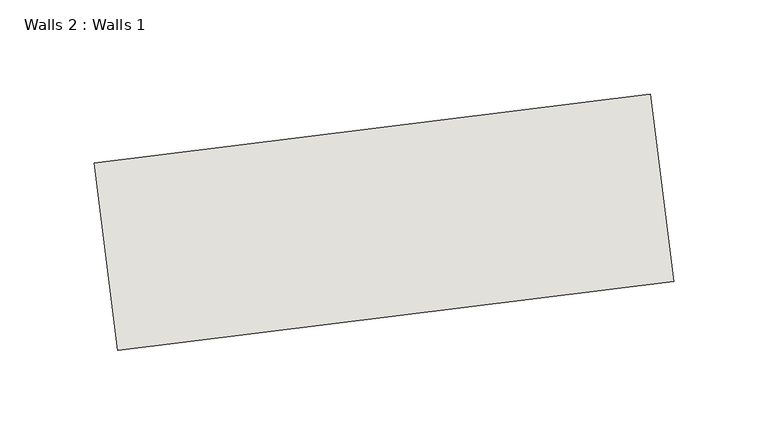
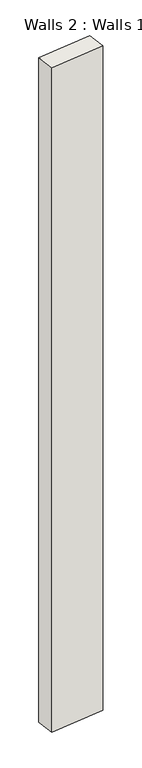
"""IFC4 building model written with IfcOpenShell, lengths in millimetres: wall geometry, Walls 2 : Walls 1."""

import ifcopenshell
import ifcopenshell.guid

model = None  # the IFC model being written
_history = None  # IfcOwnerHistory: only IFC2X3 demands one
_inside = {}  # id of a spatial element -> (the spatial element, [elements in it])
_under = {}  # id of a project, library or spatial element -> (it, [spatial elements below it])
_declared = {}  # id of a project -> (the project, [libraries it declares])
_typed = {}  # id of a type object -> (the type object, [elements of that type])
_made_of = {}  # id of a material, layer set ... -> (it, [elements and type objects made of it])


def new_model(schema):
    """Start an empty IFC model of exactly this schema.

    Asked for "IFC4X3", IfcOpenShell would pick the latest addendum, in which some entities
    have other attributes; the version numbers below select the first issue.
    IFC2X3 requires an IfcOwnerHistory on every rooted entity: one is made here for all.
    """
    global model, _history
    if schema == "IFC4X3":
        model = ifcopenshell.file(schema_version=(4, 3, 0, 0))
    else:
        model = ifcopenshell.file(schema=schema)
    _inside.clear()
    _under.clear()
    _declared.clear()
    _typed.clear()
    _made_of.clear()
    _history = None
    if model.schema == "IFC2X3":
        org = make("IfcOrganization", Name="unknown")
        user = make(
            "IfcPersonAndOrganization",
            ThePerson=make("IfcPerson", FamilyName="unknown"),
            TheOrganization=org,
        )
        app = make(
            "IfcApplication",
            ApplicationDeveloper=org,
            Version="unknown",
            ApplicationFullName="unknown",
            ApplicationIdentifier="unknown",
        )
        _history = make(
            "IfcOwnerHistory",
            OwningUser=user,
            OwningApplication=app,
            ChangeAction="ADDED",
            CreationDate=0,
        )
    return model


def make(cls, **values):
    """One entity of the class cls with the attributes given. An attribute that is None is left unset."""
    return model.create_entity(
        cls, **{name: value for name, value in values.items() if value is not None}
    )


def rooted(cls, **values):
    """An entity with a GlobalId (a new one), such as an element, a storey or a relation."""
    return make(cls, GlobalId=ifcopenshell.guid.new(), OwnerHistory=_history, **values)


def si_unit(unit_type, name, prefix=None):
    """IfcSIUnit, for example si_unit("LENGTHUNIT", "METRE", prefix="MILLI")."""
    return make("IfcSIUnit", UnitType=unit_type, Prefix=prefix, Name=name)


def assignment(units):
    """IfcUnitAssignment: the units of a project."""
    return None if units is None else make("IfcUnitAssignment", Units=units)


def point(xyz):
    """IfcCartesianPoint."""
    return None if xyz is None else make("IfcCartesianPoint", Coordinates=xyz)


def direction(xyz):
    """IfcDirection."""
    return None if xyz is None else make("IfcDirection", DirectionRatios=xyz)


def frame(location, z_axis=None, x_axis=None):
    """IfcAxis2Placement3D, a coordinate frame: its origin and axes. An axis left out is left unset."""
    return make(
        "IfcAxis2Placement3D",
        Location=point(location),
        Axis=direction(z_axis),
        RefDirection=direction(x_axis),
    )


def origin():
    """The frame at (0, 0, 0) with its axes left unset."""
    return frame((0.0, 0.0, 0.0))


def origin_with_axes():
    """The frame at (0, 0, 0) with the z axis (0, 0, 1) and the x axis (1, 0, 0) written out."""
    return frame((0.0, 0.0, 0.0), z_axis=(0.0, 0.0, 1.0), x_axis=(1.0, 0.0, 0.0))


def place(relative_to, where):
    """IfcLocalPlacement: puts the frame where relative to a parent placement (None: the world)."""
    return make(
        "IfcLocalPlacement", PlacementRelTo=relative_to, RelativePlacement=where
    )


def context(
    kind, dimensions, precision=None, world=None, true_north=None, identifier=None
):
    """IfcGeometricRepresentationContext, for example the 3D "Model" context."""
    return make(
        "IfcGeometricRepresentationContext",
        ContextIdentifier=identifier,
        ContextType=kind,
        CoordinateSpaceDimension=dimensions,
        Precision=precision,
        WorldCoordinateSystem=world,
        TrueNorth=true_north,
    )


def project(units=None, contexts=None):
    """IfcProject with its units and contexts."""
    return rooted(
        "IfcProject",
        Name="project",
        RepresentationContexts=contexts,
        UnitsInContext=assignment(units),
    )


def spatial(cls, under=None, at=None, **own):
    """A site, building, storey or space (cls), placed at a placement, below another one or the project."""
    s = rooted(cls, ObjectPlacement=at, **own)
    if under is not None:
        _under.setdefault(under.id(), (under, []))[1].append(s)
    return s


def polyline(points):
    """IfcPolyline through the points."""
    return make("IfcPolyline", Points=[point(p) for p in points])


def outline(outer, holes=None, kind="AREA"):
    """IfcArbitraryClosedProfileDef: a profile drawn as a closed curve; with holes, ...WithVoids."""
    if holes is None:
        return make("IfcArbitraryClosedProfileDef", ProfileType=kind, OuterCurve=outer)
    return make(
        "IfcArbitraryProfileDefWithVoids",
        ProfileType=kind,
        OuterCurve=outer,
        InnerCurves=holes,
    )


def extrude(swept, where, along, depth):
    """IfcExtrudedAreaSolid: the profile swept, set in the frame where, extruded along a direction by depth."""
    return make(
        "IfcExtrudedAreaSolid",
        SweptArea=swept,
        Position=where,
        ExtrudedDirection=direction(along),
        Depth=depth,
    )


def shape(context_of_items, identifier, shape_type, items):
    """IfcShapeRepresentation: the items that make up one representation, for example the "Body"."""
    return make(
        "IfcShapeRepresentation",
        ContextOfItems=context_of_items,
        RepresentationIdentifier=identifier,
        RepresentationType=shape_type,
        Items=items,
    )


def source(mapping_origin, context_of_items, identifier, shape_type, items):
    """IfcRepresentationMap: a shape defined once, which mapped items show again and again."""
    return make(
        "IfcRepresentationMap",
        MappingOrigin=mapping_origin,
        MappedRepresentation=shape(context_of_items, identifier, shape_type, items),
    )


def transform(
    local_origin,
    x_axis=None,
    y_axis=None,
    z_axis=None,
    scale=None,
    scale2=None,
    scale3=None,
    uniform=True,
):
    """IfcCartesianTransformationOperator3D, or its non-uniform kind. x_axis, y_axis, z_axis: its Axis1, 2, 3."""
    if uniform:
        return make(
            "IfcCartesianTransformationOperator3D",
            Axis1=direction(x_axis),
            Axis2=direction(y_axis),
            LocalOrigin=point(local_origin),
            Scale=scale,
            Axis3=direction(z_axis),
        )
    return make(
        "IfcCartesianTransformationOperator3DnonUniform",
        Axis1=direction(x_axis),
        Axis2=direction(y_axis),
        LocalOrigin=point(local_origin),
        Scale=scale,
        Axis3=direction(z_axis),
        Scale2=scale2,
        Scale3=scale3,
    )


def mapped(mapping_source, mapping_target):
    """IfcMappedItem: shows the shape of a source again, moved by a transform."""
    return make(
        "IfcMappedItem", MappingSource=mapping_source, MappingTarget=mapping_target
    )


def made_of(thing, what):
    """Note that an element or type object is made of a material, layer set ...; save() writes the relation."""
    if what is not None:
        _made_of.setdefault(what.id(), (what, []))[1].append(thing)
    return thing


def element(
    cls,
    number,
    at=None,
    inside=None,
    cuts=None,
    type_object=None,
    material=None,
    context=None,
    identifier="Body",
    shape_type=None,
    held_by="IfcProductDefinitionShape",
    body=None,
    shapes=None,
    **own,
):
    """One element of the class cls, such as IfcWall. Its Tag is "e" and its number.

    at: its placement. inside: the storey or other place that contains it. cuts: it is an
    opening in that element (IfcRelVoidsElement). A single representation is given by context,
    identifier, shape_type and body (its items); several are given by shapes. held_by: the class
    of the entity that holds the representations. save() writes the other relations.
    """
    e = rooted(cls, Tag="e%d" % number, ObjectPlacement=at, **own)
    if body is not None:
        shapes = [shape(context, identifier, shape_type, body)]
    if shapes is not None:
        e.Representation = make(held_by, Representations=shapes)
    if inside is not None:
        _inside.setdefault(inside.id(), (inside, []))[1].append(e)
    if cuts is not None:
        rooted(
            "IfcRelVoidsElement", RelatingBuildingElement=cuts, RelatedOpeningElement=e
        )
    if type_object is not None:
        _typed.setdefault(type_object.id(), (type_object, []))[1].append(e)
    return made_of(e, material)


def aggregate(whole, parts):
    """IfcRelAggregates: a whole, such as a stair, and the parts it consists of."""
    return rooted("IfcRelAggregates", RelatingObject=whole, RelatedObjects=parts)


def save(model, path):
    """Write the relations noted so far, then the file.

    IfcRelAggregates (storeys below a building ...), IfcRelContainedInSpatialStructure (elements
    in a storey), IfcRelDefinesByType, IfcRelAssociatesMaterial and IfcRelDeclares: one each for
    every whole, place, type object, material and project.
    """
    for whole, parts in _under.values():
        aggregate(whole, parts)
    for where, things in _inside.values():
        rooted(
            "IfcRelContainedInSpatialStructure",
            RelatedElements=things,
            RelatingStructure=where,
        )
    for kind, things in _typed.values():
        rooted("IfcRelDefinesByType", RelatedObjects=things, RelatingType=kind)
    for what, things in _made_of.values():
        rooted("IfcRelAssociatesMaterial", RelatedObjects=things, RelatingMaterial=what)
    for by, libraries in _declared.values():
        rooted("IfcRelDeclares", RelatingContext=by, RelatedDefinitions=libraries)
    model.write(path)


def walls_2_walls_1_65b87356(model_context):
    return source(origin(), model_context, "Body", "SweptSolid", [
        extrude(outline(polyline([(12464.8514793, -5118.3865853), (12759.3209965, -5081.8401253), (12771.6374513, -5181.0787515), (12477.1679341, -5217.6252116), (12464.8514793, -5118.3865853)])), origin_with_axes(), (0.0, 0.0, 1.0), 3772.9751194),
    ])


if __name__ == "__main__":
    model = new_model("IFC4")
    model_context = context("Model", 3, world=origin())
    ifc_project = project(units=[si_unit("LENGTHUNIT", "METRE", prefix="MILLI")], contexts=[model_context])
    site = spatial("IfcSite", under=ifc_project)
    building = spatial("IfcBuilding", under=site)
    placement = place(None, origin())
    walls_2_walls_1_shape = walls_2_walls_1_65b87356(model_context)
    element("IfcWall", 1, ObjectType="Walls 2 : Walls 1", at=placement, inside=building, context=model_context, shape_type="MappedRepresentation", body=[
        mapped(walls_2_walls_1_shape, transform((0.0, 0.0, 0.0), x_axis=(1.0, 0.0, 0.0), y_axis=(0.0, 1.0, 0.0), z_axis=(0.0, 0.0, 1.0))),
    ])
    save(model, "model.ifc")
